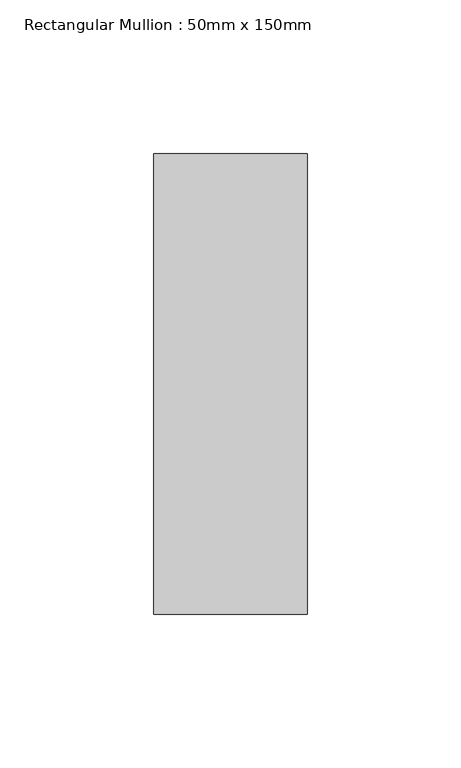
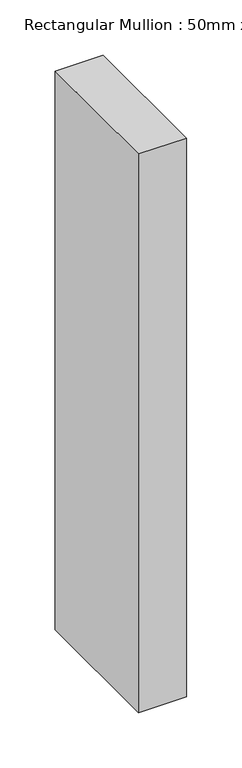
"""IFC4 building model written with IfcOpenShell, lengths in millimetres: member geometry, Rectangular Mullion : 50mm x 150mm."""

from ifc_helpers import new_model, si_unit, frame, origin, place, context, project, spatial, polyline, outline, extrude, source, transform, mapped, element, save


def rectangular_mullion_50mm_x_150mm_31b0db1f(model_context):
    return source(origin(), model_context, "Body", "SweptSolid", [
        extrude(outline(polyline([(0.0, 75.0), (0.0, -75.0), (-50.0, -75.0), (-50.0, 75.0), (0.0, 75.0)])), frame((0.0, 0.0, -615.0), z_axis=(0.0, 0.0, 1.0), x_axis=(1.0, 0.0, 0.0)), (0.0, 0.0, 1.0), 615.0),
    ])


if __name__ == "__main__":
    model = new_model("IFC4")
    model_context = context("Model", 3, world=origin())
    ifc_project = project(units=[si_unit("LENGTHUNIT", "METRE", prefix="MILLI")], contexts=[model_context])
    site = spatial("IfcSite", under=ifc_project)
    building = spatial("IfcBuilding", under=site)
    placement = place(None, origin())
    rectangular_mullion_50mm_x_150mm_shape = rectangular_mullion_50mm_x_150mm_31b0db1f(model_context)
    element("IfcMember", 1, ObjectType="Rectangular Mullion : 50mm x 150mm", at=placement, inside=building, context=model_context, shape_type="MappedRepresentation", body=[
        mapped(rectangular_mullion_50mm_x_150mm_shape, transform((0.0, 0.0, 0.0), x_axis=(1.0, 0.0, 0.0), y_axis=(0.0, 1.0, 0.0), z_axis=(0.0, 0.0, 1.0))),
    ])
    save(model, "model.ifc")
